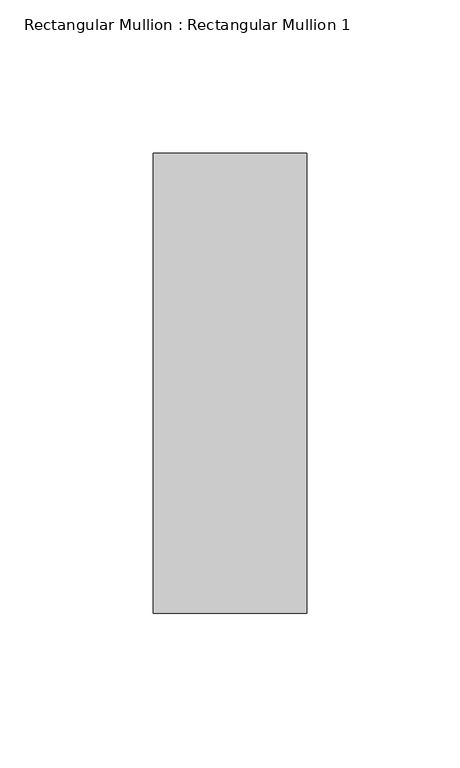
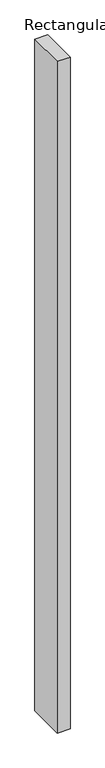
"""IFC4 building model written with IfcOpenShell, lengths in millimetres: member geometry, Rectangular Mullion : Rectangular Mullion 1."""

from ifc_helpers import new_model, si_unit, frame, origin, place, context, project, spatial, polyline, outline, extrude, source, transform, mapped, element, save


def rectangular_mullion_rectangular_mullion_1_d3c35396(model_context):
    return source(origin(), model_context, "Body", "SweptSolid", [
        extrude(outline(polyline([(0.0, 75.0), (0.0, -75.0), (-50.0, -75.0), (-50.0, 75.0), (0.0, 75.0)])), frame((0.0, 0.0, -2764.6565351), z_axis=(0.0, 0.0, 1.0), x_axis=(1.0, 0.0, 0.0)), (0.0, 0.0, 1.0), 2764.6565351),
    ])


if __name__ == "__main__":
    model = new_model("IFC4")
    model_context = context("Model", 3, world=origin())
    ifc_project = project(units=[si_unit("LENGTHUNIT", "METRE", prefix="MILLI")], contexts=[model_context])
    site = spatial("IfcSite", under=ifc_project)
    building = spatial("IfcBuilding", under=site)
    placement = place(None, origin())
    rectangular_mullion_rectangular_mullion_1_shape = rectangular_mullion_rectangular_mullion_1_d3c35396(model_context)
    element("IfcMember", 1, ObjectType="Rectangular Mullion : Rectangular Mullion 1", at=placement, inside=building, context=model_context, shape_type="MappedRepresentation", body=[
        mapped(rectangular_mullion_rectangular_mullion_1_shape, transform((0.0, 0.0, 0.0), x_axis=(1.0, 0.0, 0.0), y_axis=(0.0, 1.0, 0.0), z_axis=(0.0, 0.0, 1.0))),
    ])
    save(model, "model.ifc")
